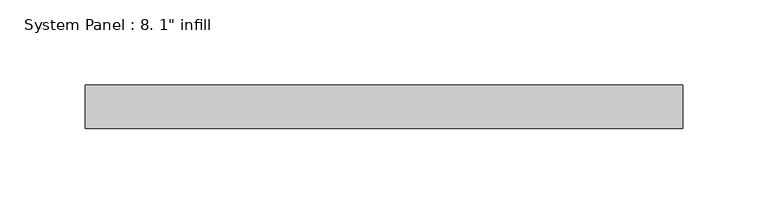
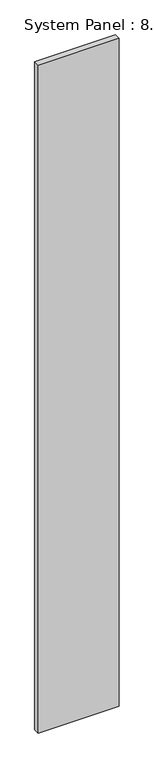
"""IFC4 building model written with IfcOpenShell, lengths in millimetres: plate geometry."""

import ifcopenshell
import ifcopenshell.guid

model = None  # the IFC model being written
_history = None  # IfcOwnerHistory: only IFC2X3 demands one
_inside = {}  # id of a spatial element -> (the spatial element, [elements in it])
_under = {}  # id of a project, library or spatial element -> (it, [spatial elements below it])
_declared = {}  # id of a project -> (the project, [libraries it declares])
_typed = {}  # id of a type object -> (the type object, [elements of that type])
_made_of = {}  # id of a material, layer set ... -> (it, [elements and type objects made of it])


def new_model(schema):
    """Start an empty IFC model of exactly this schema.

    Asked for "IFC4X3", IfcOpenShell would pick the latest addendum, in which some entities
    have other attributes; the version numbers below select the first issue.
    IFC2X3 requires an IfcOwnerHistory on every rooted entity: one is made here for all.
    """
    global model, _history
    if schema == "IFC4X3":
        model = ifcopenshell.file(schema_version=(4, 3, 0, 0))
    else:
        model = ifcopenshell.file(schema=schema)
    _inside.clear()
    _under.clear()
    _declared.clear()
    _typed.clear()
    _made_of.clear()
    _history = None
    if model.schema == "IFC2X3":
        org = make("IfcOrganization", Name="unknown")
        user = make(
            "IfcPersonAndOrganization",
            ThePerson=make("IfcPerson", FamilyName="unknown"),
            TheOrganization=org,
        )
        app = make(
            "IfcApplication",
            ApplicationDeveloper=org,
            Version="unknown",
            ApplicationFullName="unknown",
            ApplicationIdentifier="unknown",
        )
        _history = make(
            "IfcOwnerHistory",
            OwningUser=user,
            OwningApplication=app,
            ChangeAction="ADDED",
            CreationDate=0,
        )
    return model


def make(cls, **values):
    """One entity of the class cls with the attributes given. An attribute that is None is left unset."""
    return model.create_entity(
        cls, **{name: value for name, value in values.items() if value is not None}
    )


def rooted(cls, **values):
    """An entity with a GlobalId (a new one), such as an element, a storey or a relation."""
    return make(cls, GlobalId=ifcopenshell.guid.new(), OwnerHistory=_history, **values)


def si_unit(unit_type, name, prefix=None):
    """IfcSIUnit, for example si_unit("LENGTHUNIT", "METRE", prefix="MILLI")."""
    return make("IfcSIUnit", UnitType=unit_type, Prefix=prefix, Name=name)


def assignment(units):
    """IfcUnitAssignment: the units of a project."""
    return None if units is None else make("IfcUnitAssignment", Units=units)


def point(xyz):
    """IfcCartesianPoint."""
    return None if xyz is None else make("IfcCartesianPoint", Coordinates=xyz)


def direction(xyz):
    """IfcDirection."""
    return None if xyz is None else make("IfcDirection", DirectionRatios=xyz)


def frame(location, z_axis=None, x_axis=None):
    """IfcAxis2Placement3D, a coordinate frame: its origin and axes. An axis left out is left unset."""
    return make(
        "IfcAxis2Placement3D",
        Location=point(location),
        Axis=direction(z_axis),
        RefDirection=direction(x_axis),
    )


def origin():
    """The frame at (0, 0, 0) with its axes left unset."""
    return frame((0.0, 0.0, 0.0))


def origin_with_axes():
    """The frame at (0, 0, 0) with the z axis (0, 0, 1) and the x axis (1, 0, 0) written out."""
    return frame((0.0, 0.0, 0.0), z_axis=(0.0, 0.0, 1.0), x_axis=(1.0, 0.0, 0.0))


def place(relative_to, where):
    """IfcLocalPlacement: puts the frame where relative to a parent placement (None: the world)."""
    return make(
        "IfcLocalPlacement", PlacementRelTo=relative_to, RelativePlacement=where
    )


def context(
    kind, dimensions, precision=None, world=None, true_north=None, identifier=None
):
    """IfcGeometricRepresentationContext, for example the 3D "Model" context."""
    return make(
        "IfcGeometricRepresentationContext",
        ContextIdentifier=identifier,
        ContextType=kind,
        CoordinateSpaceDimension=dimensions,
        Precision=precision,
        WorldCoordinateSystem=world,
        TrueNorth=true_north,
    )


def project(units=None, contexts=None):
    """IfcProject with its units and contexts."""
    return rooted(
        "IfcProject",
        Name="project",
        RepresentationContexts=contexts,
        UnitsInContext=assignment(units),
    )


def spatial(cls, under=None, at=None, **own):
    """A site, building, storey or space (cls), placed at a placement, below another one or the project."""
    s = rooted(cls, ObjectPlacement=at, **own)
    if under is not None:
        _under.setdefault(under.id(), (under, []))[1].append(s)
    return s


def polyline(points):
    """IfcPolyline through the points."""
    return make("IfcPolyline", Points=[point(p) for p in points])


def outline(outer, holes=None, kind="AREA"):
    """IfcArbitraryClosedProfileDef: a profile drawn as a closed curve; with holes, ...WithVoids."""
    if holes is None:
        return make("IfcArbitraryClosedProfileDef", ProfileType=kind, OuterCurve=outer)
    return make(
        "IfcArbitraryProfileDefWithVoids",
        ProfileType=kind,
        OuterCurve=outer,
        InnerCurves=holes,
    )


def extrude(swept, where, along, depth):
    """IfcExtrudedAreaSolid: the profile swept, set in the frame where, extruded along a direction by depth."""
    return make(
        "IfcExtrudedAreaSolid",
        SweptArea=swept,
        Position=where,
        ExtrudedDirection=direction(along),
        Depth=depth,
    )


def shape(context_of_items, identifier, shape_type, items):
    """IfcShapeRepresentation: the items that make up one representation, for example the "Body"."""
    return make(
        "IfcShapeRepresentation",
        ContextOfItems=context_of_items,
        RepresentationIdentifier=identifier,
        RepresentationType=shape_type,
        Items=items,
    )


def source(mapping_origin, context_of_items, identifier, shape_type, items):
    """IfcRepresentationMap: a shape defined once, which mapped items show again and again."""
    return make(
        "IfcRepresentationMap",
        MappingOrigin=mapping_origin,
        MappedRepresentation=shape(context_of_items, identifier, shape_type, items),
    )


def transform(
    local_origin,
    x_axis=None,
    y_axis=None,
    z_axis=None,
    scale=None,
    scale2=None,
    scale3=None,
    uniform=True,
):
    """IfcCartesianTransformationOperator3D, or its non-uniform kind. x_axis, y_axis, z_axis: its Axis1, 2, 3."""
    if uniform:
        return make(
            "IfcCartesianTransformationOperator3D",
            Axis1=direction(x_axis),
            Axis2=direction(y_axis),
            LocalOrigin=point(local_origin),
            Scale=scale,
            Axis3=direction(z_axis),
        )
    return make(
        "IfcCartesianTransformationOperator3DnonUniform",
        Axis1=direction(x_axis),
        Axis2=direction(y_axis),
        LocalOrigin=point(local_origin),
        Scale=scale,
        Axis3=direction(z_axis),
        Scale2=scale2,
        Scale3=scale3,
    )


def mapped(mapping_source, mapping_target):
    """IfcMappedItem: shows the shape of a source again, moved by a transform."""
    return make(
        "IfcMappedItem", MappingSource=mapping_source, MappingTarget=mapping_target
    )


def made_of(thing, what):
    """Note that an element or type object is made of a material, layer set ...; save() writes the relation."""
    if what is not None:
        _made_of.setdefault(what.id(), (what, []))[1].append(thing)
    return thing


def element(
    cls,
    number,
    at=None,
    inside=None,
    cuts=None,
    type_object=None,
    material=None,
    context=None,
    identifier="Body",
    shape_type=None,
    held_by="IfcProductDefinitionShape",
    body=None,
    shapes=None,
    **own,
):
    """One element of the class cls, such as IfcWall. Its Tag is "e" and its number.

    at: its placement. inside: the storey or other place that contains it. cuts: it is an
    opening in that element (IfcRelVoidsElement). A single representation is given by context,
    identifier, shape_type and body (its items); several are given by shapes. held_by: the class
    of the entity that holds the representations. save() writes the other relations.
    """
    e = rooted(cls, Tag="e%d" % number, ObjectPlacement=at, **own)
    if body is not None:
        shapes = [shape(context, identifier, shape_type, body)]
    if shapes is not None:
        e.Representation = make(held_by, Representations=shapes)
    if inside is not None:
        _inside.setdefault(inside.id(), (inside, []))[1].append(e)
    if cuts is not None:
        rooted(
            "IfcRelVoidsElement", RelatingBuildingElement=cuts, RelatedOpeningElement=e
        )
    if type_object is not None:
        _typed.setdefault(type_object.id(), (type_object, []))[1].append(e)
    return made_of(e, material)


def aggregate(whole, parts):
    """IfcRelAggregates: a whole, such as a stair, and the parts it consists of."""
    return rooted("IfcRelAggregates", RelatingObject=whole, RelatedObjects=parts)


def save(model, path):
    """Write the relations noted so far, then the file.

    IfcRelAggregates (storeys below a building ...), IfcRelContainedInSpatialStructure (elements
    in a storey), IfcRelDefinesByType, IfcRelAssociatesMaterial and IfcRelDeclares: one each for
    every whole, place, type object, material and project.
    """
    for whole, parts in _under.values():
        aggregate(whole, parts)
    for where, things in _inside.values():
        rooted(
            "IfcRelContainedInSpatialStructure",
            RelatedElements=things,
            RelatingStructure=where,
        )
    for kind, things in _typed.values():
        rooted("IfcRelDefinesByType", RelatedObjects=things, RelatingType=kind)
    for what, things in _made_of.values():
        rooted("IfcRelAssociatesMaterial", RelatedObjects=things, RelatingMaterial=what)
    for by, libraries in _declared.values():
        rooted("IfcRelDeclares", RelatingContext=by, RelatedDefinitions=libraries)
    model.write(path)


def plate_e3139bdb(model_context):
    return source(origin(), model_context, "Body", "SweptSolid", [
        extrude(outline(polyline([(174.625, 0.0), (-174.625, 0.0), (-174.625, 25.4), (174.625, 25.4), (174.625, 0.0)])), origin_with_axes(), (0.0, 0.0, 1.0), 3048.0),
    ])


if __name__ == "__main__":
    model = new_model("IFC4")
    model_context = context("Model", 3, world=origin())
    ifc_project = project(units=[si_unit("LENGTHUNIT", "METRE", prefix="MILLI")], contexts=[model_context])
    site = spatial("IfcSite", under=ifc_project)
    building = spatial("IfcBuilding", under=site)
    placement = place(None, origin())
    plate_shape = plate_e3139bdb(model_context)
    element("IfcPlate", 1, ObjectType="System Panel : 8. 1\" infill", at=placement, inside=building, context=model_context, shape_type="MappedRepresentation", body=[
        mapped(plate_shape, transform((0.0, 0.0, 0.0), x_axis=(1.0, 0.0, 0.0), y_axis=(0.0, 1.0, 0.0), z_axis=(0.0, 0.0, 1.0))),
    ])
    save(model, "model.ifc")
